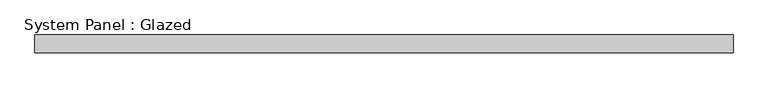
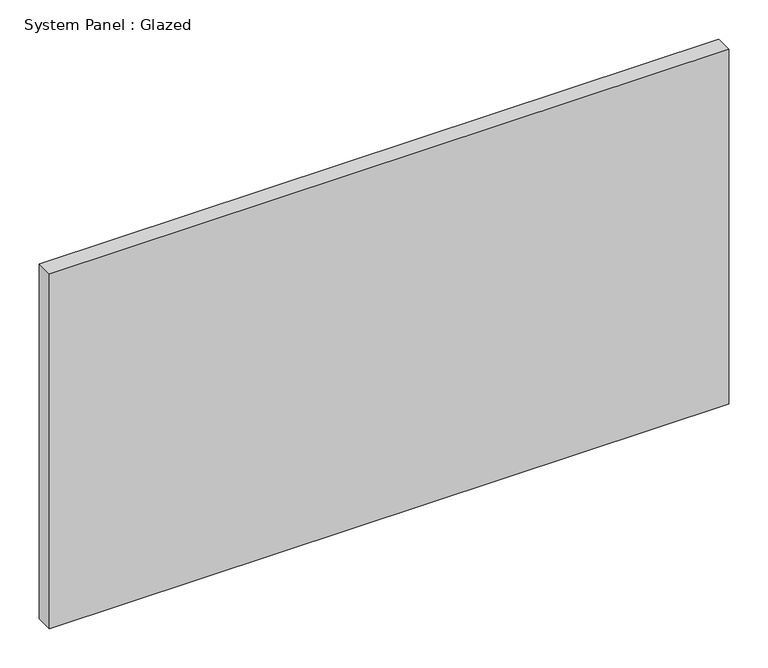
"""IFC4 building model written with IfcOpenShell, lengths in millimetres: plate geometry, System Panel : Glazed."""

from ifc_helpers import new_model, si_unit, origin, origin_with_axes, place, context, project, spatial, polyline, outline, extrude, source, transform, mapped, element, save


def system_panel_glazed_05689425(model_context):
    return source(origin(), model_context, "Body", "SweptSolid", [
        extrude(outline(polyline([(500.0625, -12.7), (-500.0625, -12.7), (-500.0625, 12.7), (500.0625, 12.7), (500.0625, -12.7)])), origin_with_axes(), (0.0, 0.0, 1.0), 552.45),
    ])


if __name__ == "__main__":
    model = new_model("IFC4")
    model_context = context("Model", 3, world=origin())
    ifc_project = project(units=[si_unit("LENGTHUNIT", "METRE", prefix="MILLI")], contexts=[model_context])
    site = spatial("IfcSite", under=ifc_project)
    building = spatial("IfcBuilding", under=site)
    placement = place(None, origin())
    system_panel_glazed_shape = system_panel_glazed_05689425(model_context)
    element("IfcPlate", 1, ObjectType="System Panel : Glazed", at=placement, inside=building, context=model_context, shape_type="MappedRepresentation", body=[
        mapped(system_panel_glazed_shape, transform((0.0, 0.0, 0.0), x_axis=(1.0, 0.0, 0.0), y_axis=(0.0, 1.0, 0.0), z_axis=(0.0, 0.0, 1.0))),
    ])
    save(model, "model.ifc")
